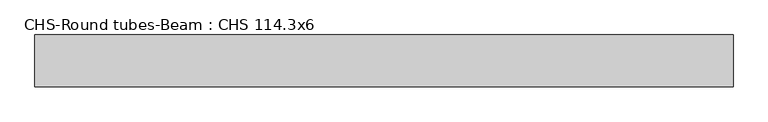
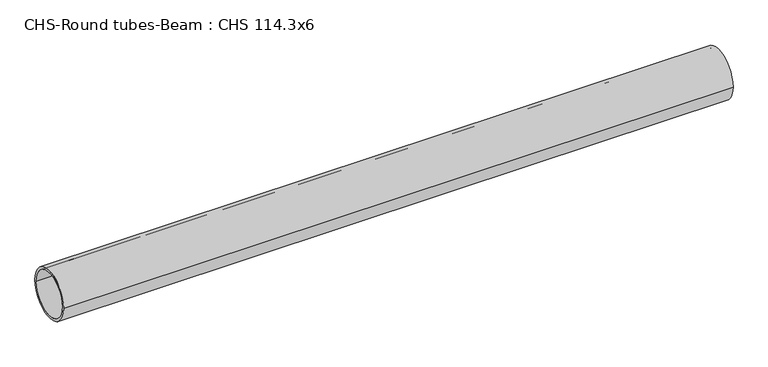
"""IFC4 building model written with IfcOpenShell, lengths in millimetres: beam geometry, CHS-Round tubes-Beam : CHS 114.3x6."""

import ifcopenshell
import ifcopenshell.guid

model = None  # the IFC model being written
_history = None  # IfcOwnerHistory: only IFC2X3 demands one
_inside = {}  # id of a spatial element -> (the spatial element, [elements in it])
_under = {}  # id of a project, library or spatial element -> (it, [spatial elements below it])
_declared = {}  # id of a project -> (the project, [libraries it declares])
_typed = {}  # id of a type object -> (the type object, [elements of that type])
_made_of = {}  # id of a material, layer set ... -> (it, [elements and type objects made of it])


def new_model(schema):
    """Start an empty IFC model of exactly this schema.

    Asked for "IFC4X3", IfcOpenShell would pick the latest addendum, in which some entities
    have other attributes; the version numbers below select the first issue.
    IFC2X3 requires an IfcOwnerHistory on every rooted entity: one is made here for all.
    """
    global model, _history
    if schema == "IFC4X3":
        model = ifcopenshell.file(schema_version=(4, 3, 0, 0))
    else:
        model = ifcopenshell.file(schema=schema)
    _inside.clear()
    _under.clear()
    _declared.clear()
    _typed.clear()
    _made_of.clear()
    _history = None
    if model.schema == "IFC2X3":
        org = make("IfcOrganization", Name="unknown")
        user = make(
            "IfcPersonAndOrganization",
            ThePerson=make("IfcPerson", FamilyName="unknown"),
            TheOrganization=org,
        )
        app = make(
            "IfcApplication",
            ApplicationDeveloper=org,
            Version="unknown",
            ApplicationFullName="unknown",
            ApplicationIdentifier="unknown",
        )
        _history = make(
            "IfcOwnerHistory",
            OwningUser=user,
            OwningApplication=app,
            ChangeAction="ADDED",
            CreationDate=0,
        )
    return model


def make(cls, **values):
    """One entity of the class cls with the attributes given. An attribute that is None is left unset."""
    return model.create_entity(
        cls, **{name: value for name, value in values.items() if value is not None}
    )


def rooted(cls, **values):
    """An entity with a GlobalId (a new one), such as an element, a storey or a relation."""
    return make(cls, GlobalId=ifcopenshell.guid.new(), OwnerHistory=_history, **values)


def si_unit(unit_type, name, prefix=None):
    """IfcSIUnit, for example si_unit("LENGTHUNIT", "METRE", prefix="MILLI")."""
    return make("IfcSIUnit", UnitType=unit_type, Prefix=prefix, Name=name)


def assignment(units):
    """IfcUnitAssignment: the units of a project."""
    return None if units is None else make("IfcUnitAssignment", Units=units)


def point(xyz):
    """IfcCartesianPoint."""
    return None if xyz is None else make("IfcCartesianPoint", Coordinates=xyz)


def direction(xyz):
    """IfcDirection."""
    return None if xyz is None else make("IfcDirection", DirectionRatios=xyz)


def frame(location, z_axis=None, x_axis=None):
    """IfcAxis2Placement3D, a coordinate frame: its origin and axes. An axis left out is left unset."""
    return make(
        "IfcAxis2Placement3D",
        Location=point(location),
        Axis=direction(z_axis),
        RefDirection=direction(x_axis),
    )


def frame_2d(location, x_axis=None):
    """IfcAxis2Placement2D, a coordinate frame in the plane: its origin and x axis."""
    return make(
        "IfcAxis2Placement2D", Location=point(location), RefDirection=direction(x_axis)
    )


def origin():
    """The frame at (0, 0, 0) with its axes left unset."""
    return frame((0.0, 0.0, 0.0))


def origin_2d():
    """The frame at (0, 0) in the plane with its x axis left unset."""
    return frame_2d((0.0, 0.0))


def place(relative_to, where):
    """IfcLocalPlacement: puts the frame where relative to a parent placement (None: the world)."""
    return make(
        "IfcLocalPlacement", PlacementRelTo=relative_to, RelativePlacement=where
    )


def context(
    kind, dimensions, precision=None, world=None, true_north=None, identifier=None
):
    """IfcGeometricRepresentationContext, for example the 3D "Model" context."""
    return make(
        "IfcGeometricRepresentationContext",
        ContextIdentifier=identifier,
        ContextType=kind,
        CoordinateSpaceDimension=dimensions,
        Precision=precision,
        WorldCoordinateSystem=world,
        TrueNorth=true_north,
    )


def project(units=None, contexts=None):
    """IfcProject with its units and contexts."""
    return rooted(
        "IfcProject",
        Name="project",
        RepresentationContexts=contexts,
        UnitsInContext=assignment(units),
    )


def spatial(cls, under=None, at=None, **own):
    """A site, building, storey or space (cls), placed at a placement, below another one or the project."""
    s = rooted(cls, ObjectPlacement=at, **own)
    if under is not None:
        _under.setdefault(under.id(), (under, []))[1].append(s)
    return s


def circle_curve(where, radius):
    """IfcCircle in the frame where."""
    return make("IfcCircle", Position=where, Radius=radius)


def trimmed(basis, trim1, trim2, sense, master):
    """IfcTrimmedCurve: the piece of a basis curve between two trims."""
    return make(
        "IfcTrimmedCurve",
        BasisCurve=basis,
        Trim1=trim1,
        Trim2=trim2,
        SenseAgreement=sense,
        MasterRepresentation=master,
    )


def segment(curve, same_sense, transition):
    """IfcCompositeCurveSegment."""
    return make(
        "IfcCompositeCurveSegment",
        Transition=transition,
        SameSense=same_sense,
        ParentCurve=curve,
    )


def composite_curve(segments, self_intersect=None):
    """IfcCompositeCurve: segments joined end to end."""
    return make("IfcCompositeCurve", Segments=segments, SelfIntersect=self_intersect)


def outline(outer, holes=None, kind="AREA"):
    """IfcArbitraryClosedProfileDef: a profile drawn as a closed curve; with holes, ...WithVoids."""
    if holes is None:
        return make("IfcArbitraryClosedProfileDef", ProfileType=kind, OuterCurve=outer)
    return make(
        "IfcArbitraryProfileDefWithVoids",
        ProfileType=kind,
        OuterCurve=outer,
        InnerCurves=holes,
    )


def extrude(swept, where, along, depth):
    """IfcExtrudedAreaSolid: the profile swept, set in the frame where, extruded along a direction by depth."""
    return make(
        "IfcExtrudedAreaSolid",
        SweptArea=swept,
        Position=where,
        ExtrudedDirection=direction(along),
        Depth=depth,
    )


def shape(context_of_items, identifier, shape_type, items):
    """IfcShapeRepresentation: the items that make up one representation, for example the "Body"."""
    return make(
        "IfcShapeRepresentation",
        ContextOfItems=context_of_items,
        RepresentationIdentifier=identifier,
        RepresentationType=shape_type,
        Items=items,
    )


def source(mapping_origin, context_of_items, identifier, shape_type, items):
    """IfcRepresentationMap: a shape defined once, which mapped items show again and again."""
    return make(
        "IfcRepresentationMap",
        MappingOrigin=mapping_origin,
        MappedRepresentation=shape(context_of_items, identifier, shape_type, items),
    )


def transform(
    local_origin,
    x_axis=None,
    y_axis=None,
    z_axis=None,
    scale=None,
    scale2=None,
    scale3=None,
    uniform=True,
):
    """IfcCartesianTransformationOperator3D, or its non-uniform kind. x_axis, y_axis, z_axis: its Axis1, 2, 3."""
    if uniform:
        return make(
            "IfcCartesianTransformationOperator3D",
            Axis1=direction(x_axis),
            Axis2=direction(y_axis),
            LocalOrigin=point(local_origin),
            Scale=scale,
            Axis3=direction(z_axis),
        )
    return make(
        "IfcCartesianTransformationOperator3DnonUniform",
        Axis1=direction(x_axis),
        Axis2=direction(y_axis),
        LocalOrigin=point(local_origin),
        Scale=scale,
        Axis3=direction(z_axis),
        Scale2=scale2,
        Scale3=scale3,
    )


def mapped(mapping_source, mapping_target):
    """IfcMappedItem: shows the shape of a source again, moved by a transform."""
    return make(
        "IfcMappedItem", MappingSource=mapping_source, MappingTarget=mapping_target
    )


def made_of(thing, what):
    """Note that an element or type object is made of a material, layer set ...; save() writes the relation."""
    if what is not None:
        _made_of.setdefault(what.id(), (what, []))[1].append(thing)
    return thing


def element(
    cls,
    number,
    at=None,
    inside=None,
    cuts=None,
    type_object=None,
    material=None,
    context=None,
    identifier="Body",
    shape_type=None,
    held_by="IfcProductDefinitionShape",
    body=None,
    shapes=None,
    **own,
):
    """One element of the class cls, such as IfcWall. Its Tag is "e" and its number.

    at: its placement. inside: the storey or other place that contains it. cuts: it is an
    opening in that element (IfcRelVoidsElement). A single representation is given by context,
    identifier, shape_type and body (its items); several are given by shapes. held_by: the class
    of the entity that holds the representations. save() writes the other relations.
    """
    e = rooted(cls, Tag="e%d" % number, ObjectPlacement=at, **own)
    if body is not None:
        shapes = [shape(context, identifier, shape_type, body)]
    if shapes is not None:
        e.Representation = make(held_by, Representations=shapes)
    if inside is not None:
        _inside.setdefault(inside.id(), (inside, []))[1].append(e)
    if cuts is not None:
        rooted(
            "IfcRelVoidsElement", RelatingBuildingElement=cuts, RelatedOpeningElement=e
        )
    if type_object is not None:
        _typed.setdefault(type_object.id(), (type_object, []))[1].append(e)
    return made_of(e, material)


def aggregate(whole, parts):
    """IfcRelAggregates: a whole, such as a stair, and the parts it consists of."""
    return rooted("IfcRelAggregates", RelatingObject=whole, RelatedObjects=parts)


def save(model, path):
    """Write the relations noted so far, then the file.

    IfcRelAggregates (storeys below a building ...), IfcRelContainedInSpatialStructure (elements
    in a storey), IfcRelDefinesByType, IfcRelAssociatesMaterial and IfcRelDeclares: one each for
    every whole, place, type object, material and project.
    """
    for whole, parts in _under.values():
        aggregate(whole, parts)
    for where, things in _inside.values():
        rooted(
            "IfcRelContainedInSpatialStructure",
            RelatedElements=things,
            RelatingStructure=where,
        )
    for kind, things in _typed.values():
        rooted("IfcRelDefinesByType", RelatedObjects=things, RelatingType=kind)
    for what, things in _made_of.values():
        rooted("IfcRelAssociatesMaterial", RelatedObjects=things, RelatingMaterial=what)
    for by, libraries in _declared.values():
        rooted("IfcRelDeclares", RelatingContext=by, RelatedDefinitions=libraries)
    model.write(path)


def chs_round_tubes_beam_chs_114_3x6_dbe64e12(model_context):
    return source(origin(), model_context, "Body", "SweptSolid", [
        extrude(outline(composite_curve([segment(trimmed(circle_curve(origin_2d(), 57.15), [point((57.15, 0.0))], [point((-57.15, 0.0))], False, "CARTESIAN"), True, "CONTINUOUS"), segment(trimmed(circle_curve(origin_2d(), 57.15), [point((-57.15, 0.0))], [point((57.15, 0.0))], False, "CARTESIAN"), True, "CONTINUOUS")], self_intersect=False), holes=[composite_curve([segment(trimmed(circle_curve(origin_2d(), 51.15), [point((51.15, 0.0))], [point((-51.15, 0.0))], True, "CARTESIAN"), True, "CONTINUOUS"), segment(trimmed(circle_curve(origin_2d(), 51.15), [point((-51.15, 0.0))], [point((51.15, 0.0))], True, "CARTESIAN"), True, "CONTINUOUS")], self_intersect=False)]), frame((-756.4506299, 0.0, 0.0), z_axis=(1.0, 0.0, 0.0), x_axis=(0.0, 1.0, 0.0)), (0.0, 0.0, 1.0), 1533.396406),
    ])


if __name__ == "__main__":
    model = new_model("IFC4")
    model_context = context("Model", 3, world=origin())
    ifc_project = project(units=[si_unit("LENGTHUNIT", "METRE", prefix="MILLI")], contexts=[model_context])
    site = spatial("IfcSite", under=ifc_project)
    building = spatial("IfcBuilding", under=site)
    placement = place(None, origin())
    chs_round_tubes_beam_chs_114_3x6_shape = chs_round_tubes_beam_chs_114_3x6_dbe64e12(model_context)
    element("IfcBeam", 1, ObjectType="CHS-Round tubes-Beam : CHS 114.3x6", at=placement, inside=building, context=model_context, shape_type="MappedRepresentation", body=[
        mapped(chs_round_tubes_beam_chs_114_3x6_shape, transform((0.0, 0.0, 0.0), x_axis=(1.0, 0.0, 0.0), y_axis=(0.0, 1.0, 0.0), z_axis=(0.0, 0.0, 1.0))),
    ])
    save(model, "model.ifc")
